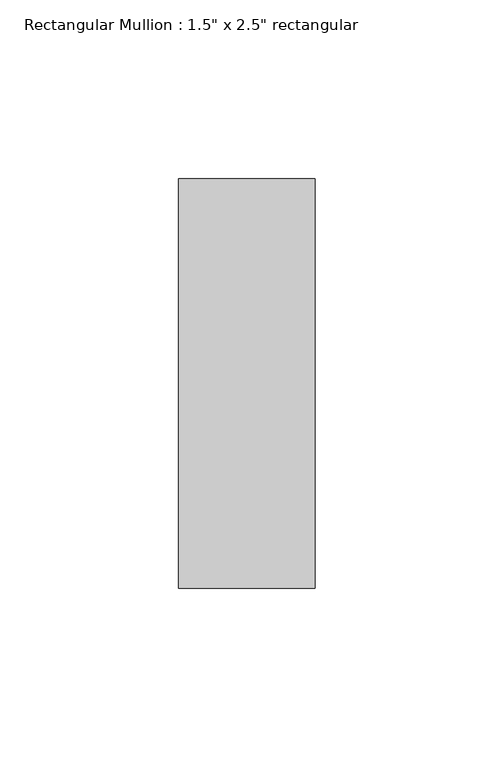
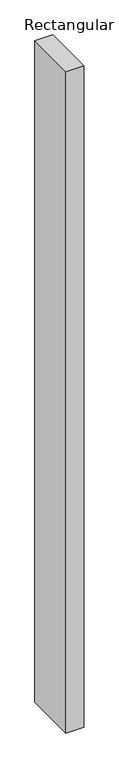
"""IFC4 building model written with IfcOpenShell, lengths in millimetres: member geometry."""

from ifc_helpers import new_model, si_unit, frame, origin, place, context, project, spatial, polyline, outline, extrude, source, transform, mapped, element, save


def member_18e3e36d(model_context):
    return source(origin(), model_context, "Body", "SweptSolid", [
        extrude(outline(polyline([(19.05, 57.15), (19.05, -57.15), (-19.05, -57.15), (-19.05, 57.15), (19.05, 57.15)])), frame((0.0, 0.0, -1485.9), z_axis=(0.0, 0.0, 1.0), x_axis=(1.0, 0.0, 0.0)), (0.0, 0.0, 1.0), 1485.9),
    ])


if __name__ == "__main__":
    model = new_model("IFC4")
    model_context = context("Model", 3, world=origin())
    ifc_project = project(units=[si_unit("LENGTHUNIT", "METRE", prefix="MILLI")], contexts=[model_context])
    site = spatial("IfcSite", under=ifc_project)
    building = spatial("IfcBuilding", under=site)
    placement = place(None, origin())
    member_shape = member_18e3e36d(model_context)
    element("IfcMember", 1, ObjectType="Rectangular Mullion : 1.5\" x 2.5\" rectangular", at=placement, inside=building, context=model_context, shape_type="MappedRepresentation", body=[
        mapped(member_shape, transform((0.0, 0.0, 0.0), x_axis=(1.0, 0.0, 0.0), y_axis=(0.0, 1.0, 0.0), z_axis=(0.0, 0.0, 1.0))),
    ])
    save(model, "model.ifc")
